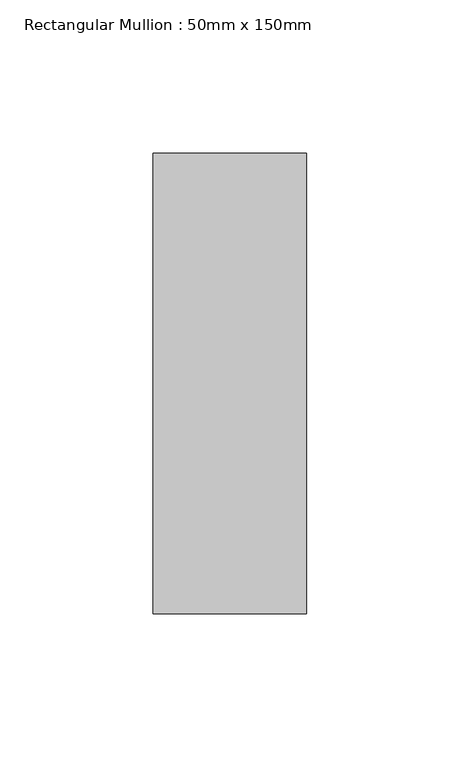
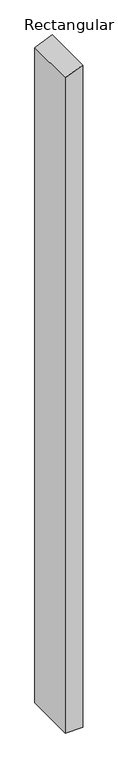
"""IFC4 building model written with IfcOpenShell, lengths in millimetres: member geometry, Rectangular Mullion : 50mm x 150mm."""

from ifc_helpers import new_model, si_unit, frame, origin, place, context, project, spatial, polyline, outline, extrude, source, transform, mapped, element, save


def rectangular_mullion_50mm_x_150mm_ba99a036(model_context):
    return source(origin(), model_context, "Body", "SweptSolid", [
        extrude(outline(polyline([(0.0, 0.0), (-20.7106781, -50.0), (-2001.0050506, -50.0), (-2001.0050506, 0.0), (0.0, 0.0)])), frame((0.0, -75.0, 0.0), z_axis=(0.0, 1.0, 0.0), x_axis=(0.0, 0.0, 1.0)), (0.0, 0.0, 1.0), 150.0),
    ])


if __name__ == "__main__":
    model = new_model("IFC4")
    model_context = context("Model", 3, world=origin())
    ifc_project = project(units=[si_unit("LENGTHUNIT", "METRE", prefix="MILLI")], contexts=[model_context])
    site = spatial("IfcSite", under=ifc_project)
    building = spatial("IfcBuilding", under=site)
    placement = place(None, origin())
    rectangular_mullion_50mm_x_150mm_shape = rectangular_mullion_50mm_x_150mm_ba99a036(model_context)
    element("IfcMember", 1, ObjectType="Rectangular Mullion : 50mm x 150mm", at=placement, inside=building, context=model_context, shape_type="MappedRepresentation", body=[
        mapped(rectangular_mullion_50mm_x_150mm_shape, transform((0.0, 0.0, 0.0), x_axis=(1.0, 0.0, 0.0), y_axis=(0.0, 1.0, 0.0), z_axis=(0.0, 0.0, 1.0))),
    ])
    save(model, "model.ifc")
